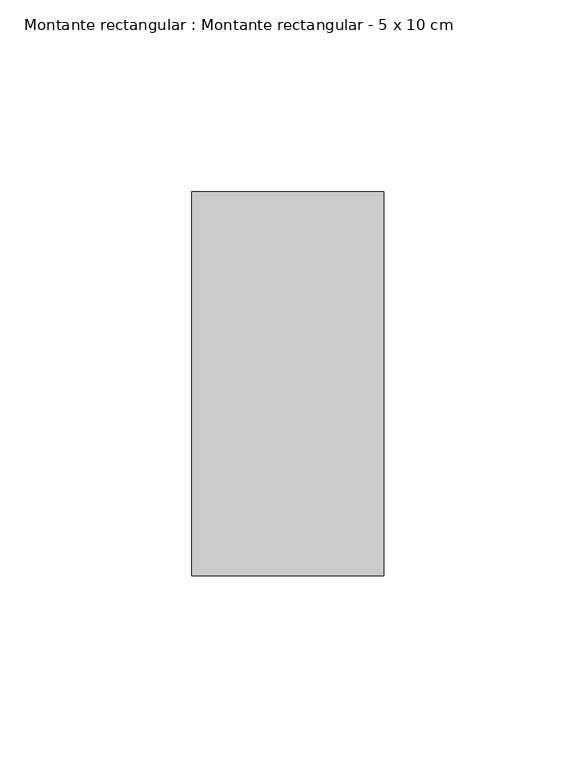
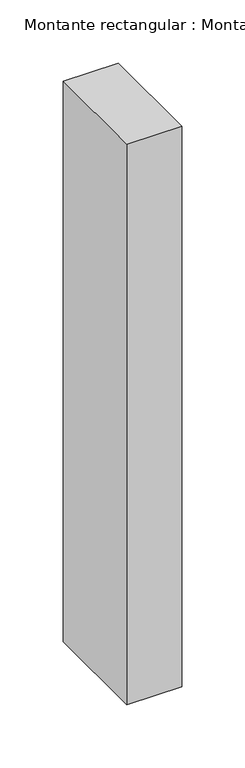
"""IFC4 building model written with IfcOpenShell, lengths in millimetres: member geometry, Montante rectangular : Montante rectangular - 5 x 10 cm."""

from ifc_helpers import new_model, si_unit, frame, origin, place, context, project, spatial, polyline, outline, extrude, source, transform, mapped, element, save


def montante_rectangular_montante_rectangular_5_x_10_cm_f1dbceae(model_context):
    return source(origin(), model_context, "Body", "SweptSolid", [
        extrude(outline(polyline([(0.0, 50.0), (0.0, -50.0), (-50.0, -50.0), (-50.0, 50.0), (0.0, 50.0)])), frame((0.0, 0.0, -540.0), z_axis=(0.0, 0.0, 1.0), x_axis=(1.0, 0.0, 0.0)), (0.0, 0.0, 1.0), 540.0),
    ])


if __name__ == "__main__":
    model = new_model("IFC4")
    model_context = context("Model", 3, world=origin())
    ifc_project = project(units=[si_unit("LENGTHUNIT", "METRE", prefix="MILLI")], contexts=[model_context])
    site = spatial("IfcSite", under=ifc_project)
    building = spatial("IfcBuilding", under=site)
    placement = place(None, origin())
    montante_rectangular_montante_rectangular_5_x_10_cm_shape = montante_rectangular_montante_rectangular_5_x_10_cm_f1dbceae(model_context)
    element("IfcMember", 1, ObjectType="Montante rectangular : Montante rectangular - 5 x 10 cm", at=placement, inside=building, context=model_context, shape_type="MappedRepresentation", body=[
        mapped(montante_rectangular_montante_rectangular_5_x_10_cm_shape, transform((0.0, 0.0, 0.0), x_axis=(1.0, 0.0, 0.0), y_axis=(0.0, 1.0, 0.0), z_axis=(0.0, 0.0, 1.0))),
    ])
    save(model, "model.ifc")
